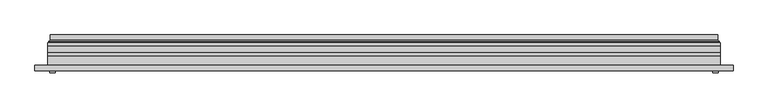
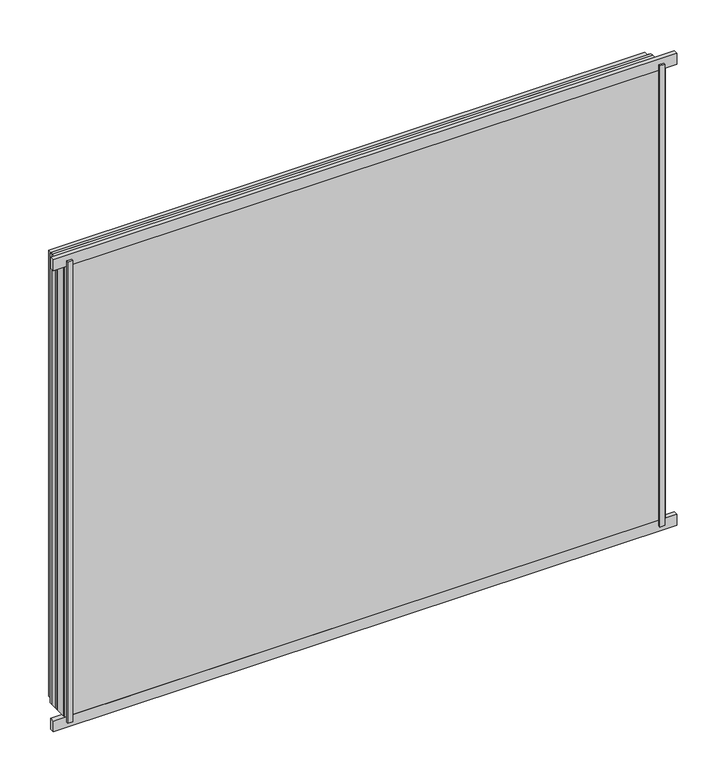
"""IFC4 building model written with IfcOpenShell, lengths in millimetres: plate geometry."""

from ifc_helpers import new_model, si_unit, frame, origin, origin_with_axes, place, context, project, spatial, polyline, ellipse_curve, outline, extrude, source, transform, mapped, element, save
from ifc_brep_helpers import plane_surface, cylinder_surface, revolved_surface, advanced_brep


def plate_b3d8ac46(model_context):
    return source(origin(), model_context, "Body", "SolidModel", [
        extrude(outline(polyline([(33.5, -579.0), (33.5, 579.0), (941.5, 579.0), (941.5, -579.0), (33.5, -579.0)]), holes=[polyline([(38.5, 574.0), (38.5, -574.0), (936.5, -574.0), (936.5, 574.0), (38.5, 574.0)])]), frame((0.0, 0.0, 0.0), z_axis=(0.0, 1.0, 0.0), x_axis=(0.0, 0.0, 1.0)), (0.0, 0.0, 1.0), 12.0),
        extrude(outline(polyline([(11.5, -601.0), (11.5, 601.0), (963.5, 601.0), (963.5, -601.0), (11.5, -601.0)]), holes=[polyline([(33.5, 579.0), (33.5, -579.0), (941.5, -579.0), (941.5, 579.0), (33.5, 579.0)])]), frame((0.0, -26.0, 0.0), z_axis=(0.0, 1.0, 0.0), x_axis=(0.0, 0.0, 1.0)), (0.0, 0.0, 1.0), 20.0),
        extrude(outline(polyline([(11.5, -601.0), (11.5, 601.0), (963.5, 601.0), (963.5, -601.0), (11.5, -601.0)]), holes=[polyline([(33.5, 579.0), (33.5, -579.0), (941.5, -579.0), (941.5, 579.0), (33.5, 579.0)])]), frame((0.0, -26.0, 0.0), z_axis=(0.0, 1.0, 0.0), x_axis=(0.0, 0.0, 1.0)), (0.0, 0.0, 1.0), 20.0),
        extrude(outline(polyline([(601.0, -6.0), (-601.0, -6.0), (-601.0, 0.0), (601.0, 0.0), (601.0, -6.0)])), frame((0.0, 0.0, 11.5), z_axis=(0.0, 0.0, 1.0), x_axis=(1.0, 0.0, 0.0)), (0.0, 0.0, 1.0), 952.0),
        extrude(outline(polyline([(587.5, -32.0), (597.5, -32.0), (597.5, -36.0), (587.5, -36.0), (587.5, -32.0)])), origin_with_axes(), (0.0, 0.0, 1.0), 975.0),
        extrude(outline(polyline([(-587.5, -32.0), (-587.5, -36.0), (-597.5, -36.0), (-597.5, -32.0), (-587.5, -32.0)])), origin_with_axes(), (0.0, 0.0, 1.0), 975.0),
        extrude(outline(polyline([(624.0, -32.0), (-624.0, -32.0), (-624.0, -22.51), (624.0, -22.51), (624.0, -32.0)])), frame((0.0, 0.0, -11.5), z_axis=(0.0, 0.0, 1.0), x_axis=(1.0, 0.0, 0.0)), (0.0, 0.0, 1.0), 23.0),
        extrude(outline(polyline([(624.0, -32.0), (-624.0, -32.0), (-624.0, -22.51), (624.0, -22.51), (624.0, -32.0)])), frame((0.0, 0.0, 963.5), z_axis=(0.0, 0.0, 1.0), x_axis=(1.0, 0.0, 0.0)), (0.0, 0.0, 1.0), 23.0),
        extrude(outline(polyline([(11.5, -601.0), (11.5, 601.0), (963.5, 601.0), (963.5, -601.0), (11.5, -601.0)]), holes=[polyline([(33.5, 579.0), (33.5, -579.0), (941.5, -579.0), (941.5, 579.0), (33.5, 579.0)])]), frame((0.0, 0.0, 0.0), z_axis=(0.0, 1.0, 0.0), x_axis=(0.0, 0.0, 1.0)), (0.0, 0.0, 1.0), 12.0),
        extrude(outline(polyline([(33.5, -579.0), (33.5, 579.0), (941.5, 579.0), (941.5, -579.0), (33.5, -579.0)]), holes=[polyline([(38.5, 574.0), (38.5, -574.0), (936.5, -574.0), (936.5, 574.0), (38.5, 574.0)])]), frame((0.0, -26.0, 0.0), z_axis=(0.0, 1.0, 0.0), x_axis=(0.0, 0.0, 1.0)), (0.0, 0.0, 1.0), 20.0),
        extrude(outline(polyline([(601.0, 18.0), (601.0, 12.0), (-601.0, 12.0), (-601.0, 18.0), (601.0, 18.0)])), frame((0.0, 0.0, 11.5), z_axis=(0.0, 0.0, 1.0), x_axis=(1.0, 0.0, 0.0)), (0.0, 0.0, 1.0), 952.0),
        extrude(outline(polyline([(-601.0, -32.0), (-601.0, -26.0), (601.0, -26.0), (601.0, -32.0), (-601.0, -32.0)])), frame((0.0, 0.0, 11.5), z_axis=(0.0, 0.0, 1.0), x_axis=(1.0, 0.0, 0.0)), (0.0, 0.0, 1.0), 952.0),
        advanced_brep(
        [(587.5000103, 32.0, 24.9999897), (-587.5000103, 32.0, 24.9999897), (-587.5000103, 21.9110895, 24.9999897), (587.5000103, 21.9110895, 24.9999897), (596.4986527, 23.3044663, 16.0013474), (-596.4986527, 23.3044663, 16.0013474), (-596.4986527, 32.0, 16.0013474), (596.4986527, 32.0, 16.0013474), (598.1689728, 20.9442833, 14.3310273), (-598.1689728, 20.9442833, 14.3310273), (597.7544044, 18.0034569, 14.7455956), (-597.7544044, 18.0034569, 14.7455956), (586.5620949, 20.2163959, 25.9379052), (-586.5620949, 20.2163959, 25.9379052), (-587.1992268, 18.0000006, 25.3007732), (587.1992268, 18.0000006, 25.3007732), (-587.5000103, 32.0, 950.0000103), (-587.5000103, 21.9110895, 950.0000103), (-596.4986527, 23.3044663, 958.9986526), (-596.4986527, 32.0, 958.9986526), (-598.1689728, 20.9442833, 960.6689727), (-597.7544044, 18.0034569, 960.2544044), (-586.5620949, 20.2163959, 949.0620948), (-587.1992268, 18.0000006, 949.6992268), (587.5000103, 32.0, 950.0000103), (587.5000103, 21.9110895, 950.0000103), (596.4986527, 23.3044663, 958.9986526), (596.4986527, 32.0, 958.9986526), (598.1689728, 20.9442833, 960.6689727), (597.7544044, 18.0034569, 960.2544044), (586.5620949, 20.2163959, 949.0620948), (587.1992268, 18.0000006, 949.6992268)],
        [
            (0, 1),
            (1, 2),
            (2, 3),
            (3, 0),
            (4, 5),
            (5, 6),
            (6, 7),
            (7, 4),
            (8, 9),
            (9, 5, ellipse_curve(frame((-598.8086832, 23.1681522, 13.6913168), z_axis=(-0.7071067811865475, 0.0, 0.7071067811865475), x_axis=(-0.7071067811865476, 0.0, -0.7071067811865474)), 3.2725594, 2.314049)),
            (4, 8, ellipse_curve(frame((598.8086832, 23.1681522, 13.6913168), z_axis=(0.7071067811865475, 0.0, 0.7071067811865475), x_axis=(-0.7071067811865476, 0.0, 0.7071067811865474)), 3.2725594, 2.314049)),
            (10, 11),
            (11, 9, ellipse_curve(frame((-597.7544044, 19.5030909, 14.7455956), z_axis=(0.7071067811865475, 0.0, -0.7071067811865475), x_axis=(0.7071067811865476, 0.0, 0.7071067811865474)), 2.1208028, 1.4996341)),
            (8, 10, ellipse_curve(frame((597.7544044, 19.5030909, 14.7455956), z_axis=(-0.7071067811865475, 0.0, -0.7071067811865475), x_axis=(0.7071067811865476, 0.0, -0.7071067811865474)), 2.1208028, 1.4996341)),
            (12, 13),
            (13, 14, ellipse_curve(frame((-587.1992268, 19.1997743, 25.3007732), z_axis=(0.7071067811865475, 0.0, -0.7071067811865475), x_axis=(0.7071067811865476, 0.0, 0.7071067811865474)), 1.6967361, 1.1997736)),
            (14, 15),
            (15, 12, ellipse_curve(frame((587.1992268, 19.1997743, 25.3007732), z_axis=(-0.7071067811865475, 0.0, -0.7071067811865475), x_axis=(0.7071067811865476, 0.0, -0.7071067811865474)), 1.6967361, 1.1997736)),
            (2, 13, ellipse_curve(frame((-585.5000051, 21.9110895, 26.9999949), z_axis=(-0.7071067811865475, 0.0, 0.7071067811865475), x_axis=(-0.7071067811865476, 0.0, -0.7071067811865474)), 2.8284345, 2.0000052)),
            (12, 3, ellipse_curve(frame((585.5000051, 21.9110895, 26.9999949), z_axis=(0.7071067811865475, 0.0, 0.7071067811865475), x_axis=(-0.7071067811865476, 0.0, 0.7071067811865474)), 2.8284345, 2.0000052)),
            (1, 16),
            (16, 17),
            (17, 2),
            (5, 18),
            (18, 19),
            (19, 6),
            (9, 20),
            (20, 18, ellipse_curve(frame((-598.8086832, 23.1681522, 961.3086832), z_axis=(0.7071067811865475, 0.0, 0.7071067811865475), x_axis=(-0.7071067811865474, 0.0, 0.7071067811865476)), 3.2725594, 2.314049)),
            (11, 21),
            (21, 20, ellipse_curve(frame((-597.7544044, 19.5030909, 960.2544044), z_axis=(-0.7071067811865475, 0.0, -0.7071067811865475), x_axis=(0.7071067811865474, 0.0, -0.7071067811865476)), 2.1208028, 1.4996341)),
            (13, 22),
            (22, 23, ellipse_curve(frame((-587.1992268, 19.1997743, 949.6992268), z_axis=(-0.7071067811865475, 0.0, -0.7071067811865475), x_axis=(0.7071067811865474, 0.0, -0.7071067811865476)), 1.6967361, 1.1997736)),
            (23, 14),
            (17, 22, ellipse_curve(frame((-585.5000051, 21.9110895, 948.0000051), z_axis=(0.7071067811865475, 0.0, 0.7071067811865475), x_axis=(-0.7071067811865474, 0.0, 0.7071067811865476)), 2.8284345, 2.0000052)),
            (16, 24),
            (24, 25),
            (25, 17),
            (18, 26),
            (26, 27),
            (27, 19),
            (20, 28),
            (28, 26, ellipse_curve(frame((598.8086832, 23.1681522, 961.3086832), z_axis=(0.7071067811865475, 0.0, -0.7071067811865475), x_axis=(0.7071067811865476, 0.0, 0.7071067811865474)), 3.2725594, 2.314049)),
            (21, 29),
            (29, 28, ellipse_curve(frame((597.7544044, 19.5030909, 960.2544044), z_axis=(-0.7071067811865475, 0.0, 0.7071067811865475), x_axis=(-0.7071067811865476, 0.0, -0.7071067811865474)), 2.1208028, 1.4996341)),
            (22, 30),
            (30, 31, ellipse_curve(frame((587.1992268, 19.1997743, 949.6992268), z_axis=(-0.7071067811865475, 0.0, 0.7071067811865475), x_axis=(-0.7071067811865476, 0.0, -0.7071067811865474)), 1.6967361, 1.1997736)),
            (31, 23),
            (25, 30, ellipse_curve(frame((585.5000051, 21.9110895, 948.0000051), z_axis=(0.7071067811865475, 0.0, -0.7071067811865475), x_axis=(0.7071067811865476, 0.0, 0.7071067811865474)), 2.8284345, 2.0000052)),
            (24, 0),
            (3, 25),
            (26, 4),
            (7, 27),
            (28, 8),
            (29, 10),
            (31, 15),
            (30, 12),
        ],
        [
            plane_surface(frame((587.5000103, 21.9110895, 24.9999897), z_axis=(0.0, 0.0, 1.0), x_axis=(-1.0, 0.0, 0.0))),
            plane_surface(frame((596.4986527, 32.0, 16.0013474), z_axis=(0.0, 0.0, -1.0), x_axis=(-1.0, 0.0, 0.0))),
            revolved_surface(polyline([(-601.1227321435756, 25.482201200000002, 13.6913168), (601.1227321435758, 25.482201200000002, 13.6913168)]), (587.5, 23.1681522, 13.6913168), (-1.0, 0.0, 0.0)),
            cylinder_surface(frame((587.5, 19.5030909, 14.7455956), z_axis=(1.0, 0.0, 0.0), x_axis=(0.0, 1.0, 0.0)), 1.4996341),
            cylinder_surface(frame((587.5, 19.1997743, 25.3007732), z_axis=(1.0, 0.0, 0.0), x_axis=(0.0, 1.0, 0.0)), 1.1997736),
            revolved_surface(polyline([(-587.5000103150919, 23.9110947, 26.9999949), (587.5000103150919, 23.9110947, 26.9999949)]), (587.5, 21.9110895, 26.9999949), (-1.0, 0.0, 0.0)),
            plane_surface(frame((-587.5000103, 21.9110895, 24.9999897), z_axis=(1.0, 0.0, 0.0), x_axis=(0.0, 0.0, 1.0))),
            plane_surface(frame((-596.4986527, 32.0, 16.0013474), z_axis=(-1.0, 0.0, 0.0), x_axis=(0.0, 0.0, 1.0))),
            revolved_surface(polyline([(-598.8086832, 25.482201200000002, 963.6227321435758), (-598.8086832, 25.482201200000002, 11.37726785642422)]), (-598.8086832, 23.1681522, 25.0), (0.0, 0.0, 1.0)),
            cylinder_surface(frame((-597.7544044, 19.5030909, 25.0), z_axis=(0.0, 0.0, -1.0), x_axis=(0.0, 1.0, 0.0)), 1.4996341),
            cylinder_surface(frame((-587.1992268, 19.1997743, 25.0), z_axis=(0.0, 0.0, -1.0), x_axis=(0.0, 1.0, 0.0)), 1.1997736),
            revolved_surface(polyline([(-585.5000051, 23.9110947, 950.0000103150919), (-585.5000051, 23.9110947, 24.99998968490802)]), (-585.5000051, 21.9110895, 25.0), (0.0, 0.0, 1.0)),
            plane_surface(frame((-587.5000103, 21.9110895, 950.0000103), z_axis=(0.0, 0.0, -1.0), x_axis=(1.0, 0.0, 0.0))),
            plane_surface(frame((-596.4986527, 32.0, 958.9986526), z_axis=(0.0, 0.0, 1.0), x_axis=(1.0, 0.0, 0.0))),
            revolved_surface(polyline([(601.1227321435756, 25.482201200000002, 961.3086832), (-601.1227321435758, 25.482201200000002, 961.3086832)]), (-587.5, 23.1681522, 961.3086832), (1.0, 0.0, 0.0)),
            cylinder_surface(frame((-587.5, 19.5030909, 960.2544044), z_axis=(-1.0, 0.0, 0.0), x_axis=(0.0, 1.0, 0.0)), 1.4996341),
            cylinder_surface(frame((-587.5, 19.1997743, 949.6992268), z_axis=(-1.0, 0.0, 0.0), x_axis=(0.0, 1.0, 0.0)), 1.1997736),
            revolved_surface(polyline([(587.5000103150919, 23.9110947, 948.0000051), (-587.5000103150919, 23.9110947, 948.0000051)]), (-587.5, 21.9110895, 948.0000051), (1.0, 0.0, 0.0)),
            plane_surface(frame((587.5000103, 21.9110895, 950.0000103), z_axis=(-1.0, 0.0, 0.0), x_axis=(0.0, 0.0, -1.0))),
            plane_surface(frame((596.4986527, 32.0, 958.9986526), z_axis=(1.0, 0.0, 0.0), x_axis=(0.0, 0.0, -1.0))),
            revolved_surface(polyline([(598.8086832, 25.482201200000002, 11.377267856424169), (598.8086832, 25.482201200000002, 963.6227321435758)]), (598.8086832, 23.1681522, 950.0), (0.0, 0.0, -1.0)),
            cylinder_surface(frame((597.7544044, 19.5030909, 950.0), z_axis=(0.0, 0.0, 1.0), x_axis=(0.0, 1.0, 0.0)), 1.4996341),
            plane_surface(frame((597.7544044, 18.0000006, 960.2544044), z_axis=(0.0, -1.0, 0.0), x_axis=(0.0, 0.0, -1.0))),
            cylinder_surface(frame((587.1992268, 19.1997743, 950.0), z_axis=(0.0, 0.0, 1.0), x_axis=(0.0, 1.0, 0.0)), 1.1997736),
            revolved_surface(polyline([(585.5000051, 23.9110947, 24.999989684908087), (585.5000051, 23.9110947, 950.0000103150919)]), (585.5000051, 21.9110895, 950.0), (0.0, 0.0, -1.0)),
            plane_surface(frame((587.5000103, 32.0, 950.0000103), z_axis=(0.0, 1.0, 0.0), x_axis=(0.0, 0.0, -1.0))),
        ],
        [
            (0, [[1, 2, 3, 4]]),
            (1, [[5, 6, 7, 8]]),
            (2, [[9, 10, -5, 11]]),
            (3, [[12, 13, -9, 14]]),
            (4, [[15, 16, 17, 18]]),
            (5, [[-3, 19, -15, 20]]),
            (6, [[21, 22, 23, -2]]),
            (7, [[24, 25, 26, -6]]),
            (8, [[27, 28, -24, -10]]),
            (9, [[29, 30, -27, -13]]),
            (10, [[31, 32, 33, -16]]),
            (11, [[-23, 34, -31, -19]]),
            (12, [[35, 36, 37, -22]]),
            (13, [[38, 39, 40, -25]]),
            (14, [[41, 42, -38, -28]]),
            (15, [[43, 44, -41, -30]]),
            (16, [[45, 46, 47, -32]]),
            (17, [[-37, 48, -45, -34]]),
            (18, [[49, -4, 50, -36]]),
            (19, [[51, -8, 52, -39]]),
            (20, [[53, -11, -51, -42]]),
            (21, [[54, -14, -53, -44]]),
            (22, [[-12, -54, -43, -29], [-17, -33, -47, 55]]),
            (23, [[56, -18, -55, -46]]),
            (24, [[-50, -20, -56, -48]]),
            (25, [[-7, -26, -40, -52], [-1, -49, -35, -21]]),
        ],
    ),
    ])


if __name__ == "__main__":
    model = new_model("IFC4")
    model_context = context("Model", 3, world=origin())
    ifc_project = project(units=[si_unit("LENGTHUNIT", "METRE", prefix="MILLI")], contexts=[model_context])
    site = spatial("IfcSite", under=ifc_project)
    building = spatial("IfcBuilding", under=site)
    placement = place(None, origin())
    plate_shape = plate_b3d8ac46(model_context)
    element("IfcPlate", 1, at=placement, inside=building, context=model_context, shape_type="MappedRepresentation", body=[
        mapped(plate_shape, transform((0.0, 0.0, 0.0), x_axis=(1.0, 0.0, 0.0), y_axis=(0.0, 1.0, 0.0), z_axis=(0.0, 0.0, 1.0))),
    ])
    save(model, "model.ifc")
